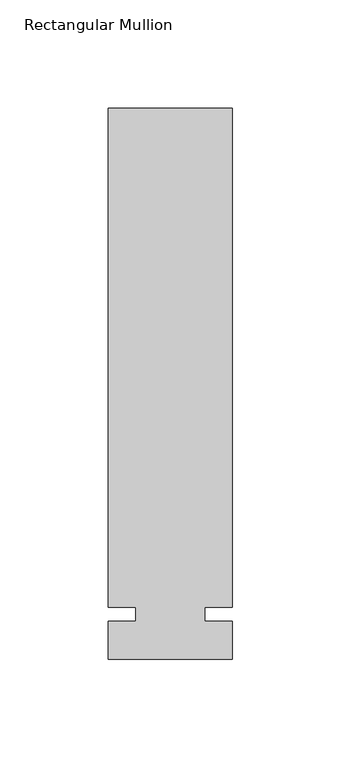
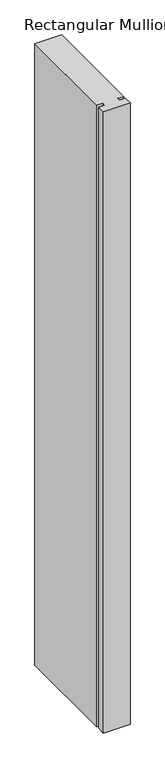
"""IFC4 building model written with IfcOpenShell, lengths in millimetres: member geometry, Rectangular Mullion."""

from ifc_helpers import new_model, si_unit, frame, origin, place, context, project, spatial, polyline, outline, extrude, source, transform, mapped, element, save


def rectangular_mullion_f5fe3b41(model_context):
    return source(origin(), model_context, "Body", "SweptSolid", [
        extrude(outline(polyline([(32.9094027, 233.3625), (32.9094027, 3.175), (20.2076322, 3.175), (20.2076322, -3.175), (32.9094027, -3.175), (32.9094027, -20.6375), (-24.2405973, -20.6375), (-24.2405973, -3.175), (-11.5405973, -3.175), (-11.5405973, 3.175), (-24.2405973, 3.175), (-24.2405973, 233.3625), (32.9094027, 233.3625)])), frame((0.0, 0.0, -1407.482264), z_axis=(0.0, 0.0, 1.0), x_axis=(1.0, 0.0, 0.0)), (0.0, 0.0, 1.0), 1407.482264),
    ])


if __name__ == "__main__":
    model = new_model("IFC4")
    model_context = context("Model", 3, world=origin())
    ifc_project = project(units=[si_unit("LENGTHUNIT", "METRE", prefix="MILLI")], contexts=[model_context])
    site = spatial("IfcSite", under=ifc_project)
    building = spatial("IfcBuilding", under=site)
    placement = place(None, origin())
    rectangular_mullion_shape = rectangular_mullion_f5fe3b41(model_context)
    element("IfcMember", 1, ObjectType="Rectangular Mullion", at=placement, inside=building, context=model_context, shape_type="MappedRepresentation", body=[
        mapped(rectangular_mullion_shape, transform((0.0, 0.0, 0.0), x_axis=(1.0, 0.0, 0.0), y_axis=(0.0, 1.0, 0.0), z_axis=(0.0, 0.0, 1.0))),
    ])
    save(model, "model.ifc")
